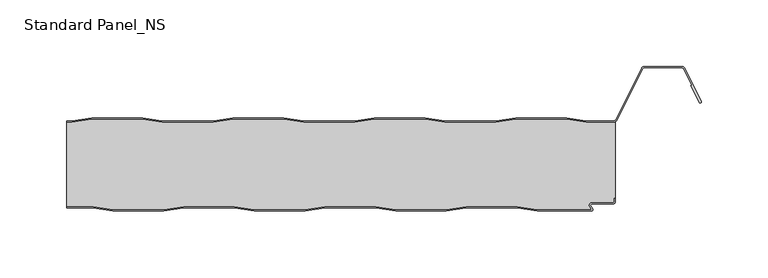
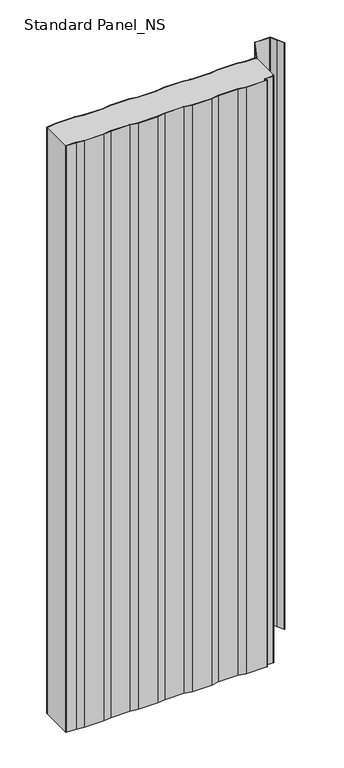
"""IFC4 building model written with IfcOpenShell, lengths in millimetres: proxy geometry, Standard Panel_NS."""

from ifc_helpers import new_model, si_unit, point, frame, frame_2d, origin, origin_with_axes, place, context, project, spatial, polyline, circle_curve, trimmed, segment, composite_curve, outline, extrude, source, transform, mapped, element, save
from ifc_brep_helpers import plane_surface, cylinder_surface, revolved_surface, advanced_brep


def standard_panel_ns_26d060f5(model_context):
    return source(origin(), model_context, "Body", "SolidModel", [
        extrude(outline(composite_curve([segment(polyline([(-203.6028864, 3.3), (-188.6028864, 0.8), (-150.7353064, 0.8), (-135.7353064, 3.3), (-97.6028864, 3.3), (-82.6028864, 0.8), (-44.7353064, 0.8), (-29.7353064, 3.3), (8.3971136, 3.3), (23.3971136, 0.8), (61.2646936, 0.8), (76.2646936, 3.3), (114.3971136, 3.3), (129.3971136, 0.8), (170.5052217, 0.8), (168.869845, 3.3204106)]), True, "CONTINUOUS"), segment(trimmed(circle_curve(frame_2d((170.3798342, 4.3001721)), 1.8), [point((168.869845, 3.3204106))], [point((170.3798342, 6.1001721))], False, "CARTESIAN"), True, "CONTINUOUS"), segment(polyline([(170.3798342, 6.1001721), (185.9659043, 6.1001721)]), True, "CONTINUOUS"), segment(trimmed(circle_curve(frame_2d((185.9659043, 7.4001714)), 1.2999993), [point((185.9659043, 6.1001721))], [point((187.2659036, 7.4001714))], True, "CARTESIAN"), True, "CONTINUOUS"), segment(polyline([(187.2659036, 7.4001714), (187.2659036, 9.4001722), (188.0659036, 9.4001722), (188.0659036, 7.4001714)]), True, "CONTINUOUS"), segment(trimmed(circle_curve(frame_2d((185.9659043, 7.4001714)), 2.0999993), [point((188.0659036, 7.4001714))], [point((185.9659043, 5.3001721))], False, "CARTESIAN"), True, "CONTINUOUS"), segment(polyline([(185.9659043, 5.3001721), (170.3798342, 5.3001721)]), True, "CONTINUOUS"), segment(trimmed(circle_curve(frame_2d((170.3798342, 4.3001721)), 1.0), [point((170.3798342, 5.3001721))], [point((169.5409513, 3.7558601))], True, "CARTESIAN"), True, "CONTINUOUS"), segment(polyline([(169.5409513, 3.7558601), (170.9759217, 1.5443119)]), True, "CONTINUOUS"), segment(trimmed(circle_curve(frame_2d((170.1370388, 1.0)), 1.0), [point((170.9759217, 1.5443119))], [point((170.1370388, 0.0))], False, "CARTESIAN"), True, "CONTINUOUS"), segment(polyline([(170.1370388, 0.0), (129.3309036, 0.0), (114.3309036, 2.5), (76.3309036, 2.5), (61.3309036, 0.0), (23.3309036, 0.0), (8.3309036, 2.5), (-29.6690964, 2.5), (-44.6690964, 0.0), (-82.6690964, 0.0), (-97.6690964, 2.5), (-135.6690964, 2.5), (-150.6690964, 0.0), (-188.6690964, 0.0), (-203.6690964, 2.5), (-223.4042607, 2.5), (-223.4042607, 3.3), (-203.6028864, 3.3)]), True, "CONTINUOUS")], self_intersect=False)), origin_with_axes(), (0.0, 0.0, 1.0), 1219.2),
        extrude(outline(composite_curve([segment(polyline([(-219.5261524, 67.5), (-204.6867594, 70.0), (-166.4777146, 70.0), (-151.6383215, 67.5), (-113.5261524, 67.5), (-98.6867594, 70.0), (-60.4777146, 70.0), (-45.6383215, 67.5), (-7.5261524, 67.5), (7.3132406, 70.0), (45.5222854, 70.0), (60.3616785, 67.5), (98.4738476, 67.5), (113.3132406, 70.0), (151.5222854, 70.0), (166.3616785, 67.5), (186.5082999, 67.5)]), True, "CONTINUOUS"), segment(trimmed(circle_curve(frame_2d((186.5082999, 69.8)), 2.3), [point((186.5082999, 67.5))], [point((188.5664438, 68.7733338))], True, "CARTESIAN"), True, "CONTINUOUS"), segment(polyline([(188.5664438, 68.7733338), (207.7687355, 107.2679093)]), True, "CONTINUOUS"), segment(trimmed(circle_curve(frame_2d((209.8268795, 106.241243)), 2.3), [point((207.7687355, 107.2679093))], [point((209.8268795, 108.541243))], False, "CARTESIAN"), True, "CONTINUOUS"), segment(polyline([(209.8268795, 108.541243), (237.9816419, 108.541243)]), True, "CONTINUOUS"), segment(trimmed(circle_curve(frame_2d((237.9816419, 106.241243)), 2.3), [point((237.9816419, 108.541243))], [point((240.039338, 107.2688066))], False, "CARTESIAN"), True, "CONTINUOUS"), segment(polyline([(240.039338, 107.2688066), (252.4495038, 82.4174495)]), True, "CONTINUOUS"), segment(trimmed(circle_curve(frame_2d((251.7337834, 82.0600361)), 0.8), [point((252.4495038, 82.4174495))], [point((251.018063, 81.7026227))], False, "CARTESIAN"), True, "CONTINUOUS"), segment(polyline([(251.018063, 81.7026227), (244.6739749, 94.4066593), (245.3896952, 94.7640727), (239.3236176, 106.9113932)]), True, "CONTINUOUS"), segment(trimmed(circle_curve(frame_2d((237.9816419, 106.241243)), 1.5), [point((239.3236176, 106.9113932))], [point((237.9816419, 107.741243))], True, "CARTESIAN"), True, "CONTINUOUS"), segment(polyline([(237.9816419, 107.741243), (209.8268795, 107.741243)]), True, "CONTINUOUS"), segment(trimmed(circle_curve(frame_2d((209.8268795, 106.241243)), 1.5), [point((209.8268795, 107.741243))], [point((208.4846117, 106.910808))], True, "CARTESIAN"), True, "CONTINUOUS"), segment(polyline([(208.4846117, 106.910808), (189.28232, 68.4162325)]), True, "CONTINUOUS"), segment(trimmed(circle_curve(frame_2d((186.5082999, 69.8)), 3.1), [point((189.28232, 68.4162325))], [point((186.5082999, 66.7))], False, "CARTESIAN"), True, "CONTINUOUS"), segment(polyline([(186.5082999, 66.7), (166.2947617, 66.7), (151.4553687, 69.2), (113.3801573, 69.2), (98.5407643, 66.7), (60.2947617, 66.7), (45.4553687, 69.2), (7.3801573, 69.2), (-7.4592357, 66.7), (-45.7052383, 66.7), (-60.5446313, 69.2), (-98.6198427, 69.2), (-113.4592357, 66.7), (-151.7052383, 66.7), (-166.5446313, 69.2), (-204.6198427, 69.2), (-219.4592357, 66.7), (-223.4042607, 66.7), (-223.4042607, 67.5), (-219.5261524, 67.5)]), True, "CONTINUOUS")], self_intersect=False)), origin_with_axes(), (0.0, 0.0, 1.0), 1219.2),
        advanced_brep(
        [(188.136916, 67.1622719, 1219.2), (186.5082999, 66.7, 1219.2), (166.2947617, 66.7, 1219.2), (151.4553687, 69.2, 1219.2), (113.3801573, 69.2, 1219.2), (98.5407643, 66.7, 1219.2), (60.2947617, 66.7, 1219.2), (45.4553687, 69.2, 1219.2), (7.3801573, 69.2, 1219.2), (-7.4592357, 66.7, 1219.2), (-45.7052383, 66.7, 1219.2), (-60.5446313, 69.2, 1219.2), (-98.6198427, 69.2, 1219.2), (-113.4592357, 66.7, 1219.2), (-151.7052383, 66.7, 1219.2), (-166.5446313, 69.2, 1219.2), (-204.6198427, 69.2, 1219.2), (-219.4592357, 66.7, 1219.2), (-223.4042607, 66.7, 1219.2), (-223.4042607, 3.3, 1219.2), (-203.6028864, 3.3, 1219.2), (-188.6028864, 0.8, 1219.2), (-150.7353064, 0.8, 1219.2), (-135.7353064, 3.3, 1219.2), (-97.6028864, 3.3, 1219.2), (-82.6028864, 0.8, 1219.2), (-44.7353064, 0.8, 1219.2), (-29.7353064, 3.3, 1219.2), (8.3971136, 3.3, 1219.2), (23.3971136, 0.8, 1219.2), (61.2646936, 0.8, 1219.2), (76.2646936, 3.3, 1219.2), (114.3971136, 3.3, 1219.2), (129.3971136, 0.8, 1219.2), (170.5052217, 0.8, 1219.2), (168.869845, 3.3204106, 1219.2), (170.3798342, 6.1001721, 1219.2), (185.9659043, 6.1001721, 1219.2), (187.2659036, 7.4001714, 1219.2), (187.2659036, 9.4001722, 1219.2), (188.1042607, 9.4, 1219.2), (-219.4592357, 66.7, 0.0), (-204.6198427, 69.2, 0.0), (-166.5446313, 69.2, 0.0), (-151.7052383, 66.7, 0.0), (-113.4592357, 66.7, 0.0), (-98.6198427, 69.2, 0.0), (-60.5446313, 69.2, 0.0), (-45.7052383, 66.7, 0.0), (-7.4592357, 66.7, 0.0), (7.3801573, 69.2, 0.0), (45.4553687, 69.2, 0.0), (60.2947617, 66.7, 0.0), (98.5407643, 66.7, 0.0), (113.3801573, 69.2, 0.0), (151.4553687, 69.2, 0.0), (166.2947617, 66.7, 0.0), (186.5082999, 66.7, 0.0), (188.136916, 67.1622719, 0.0), (188.1042607, 9.4, 0.0), (187.2659036, 9.4, 0.0), (187.2659036, 7.4001714, 0.0), (185.9659043, 6.1001721, 0.0), (170.3798342, 6.1001721, 0.0), (168.869845, 3.3204106, 0.0), (170.5052217, 0.8, 0.0), (129.3971136, 0.8, 0.0), (114.3971136, 3.3, 0.0), (76.2646936, 3.3, 0.0), (61.2646936, 0.8, 0.0), (23.3971136, 0.8, 0.0), (8.3971136, 3.3, 0.0), (-29.7353064, 3.3, 0.0), (-44.7353064, 0.8, 0.0), (-82.6028864, 0.8, 0.0), (-97.6028864, 3.3, 0.0), (-135.7353064, 3.3, 0.0), (-150.7353064, 0.8, 0.0), (-188.6028864, 0.8, 0.0), (-203.6028864, 3.3, 0.0), (-223.4042607, 3.3, 0.0), (-223.4042607, 66.7, 0.0)],
        [
            (0, 1, circle_curve(frame((186.5082999, 69.8, 1219.2), z_axis=(0.0, 0.0, -1.0), x_axis=(-1.0, 0.0, 0.0)), 3.1)),
            (1, 2),
            (2, 3),
            (3, 4),
            (4, 5),
            (5, 6),
            (6, 7),
            (7, 8),
            (8, 9),
            (9, 10),
            (10, 11),
            (11, 12),
            (12, 13),
            (13, 14),
            (14, 15),
            (15, 16),
            (16, 17),
            (17, 18),
            (18, 19),
            (19, 20),
            (20, 21),
            (21, 22),
            (22, 23),
            (23, 24),
            (24, 25),
            (25, 26),
            (26, 27),
            (27, 28),
            (28, 29),
            (29, 30),
            (30, 31),
            (31, 32),
            (32, 33),
            (33, 34),
            (34, 35),
            (35, 36, circle_curve(frame((170.3798342, 4.3001721, 1219.2), z_axis=(0.0, 0.0, -1.0), x_axis=(-1.0, 0.0, 0.0)), 1.8)),
            (36, 37),
            (37, 38, circle_curve(frame((185.9659043, 7.4001714, 1219.2), z_axis=(0.0, 0.0, 1.0), x_axis=(-1.0, 0.0, 0.0)), 1.2999993)),
            (38, 39),
            (39, 40),
            (40, 0),
            (41, 42),
            (42, 43),
            (43, 44),
            (44, 45),
            (45, 46),
            (46, 47),
            (47, 48),
            (48, 49),
            (49, 50),
            (50, 51),
            (51, 52),
            (52, 53),
            (53, 54),
            (54, 55),
            (55, 56),
            (56, 57),
            (57, 58, circle_curve(frame((186.5082999, 69.8, 0.0), z_axis=(0.0, 0.0, 1.0), x_axis=(-1.0, 0.0, 0.0)), 3.1)),
            (58, 59),
            (59, 60),
            (60, 61),
            (61, 62, circle_curve(frame((185.9659043, 7.4001714, 0.0), z_axis=(0.0, 0.0, -1.0), x_axis=(-1.0, 0.0, 0.0)), 1.2999993)),
            (62, 63),
            (63, 64, circle_curve(frame((170.3798342, 4.3001721, 0.0), z_axis=(0.0, 0.0, 1.0), x_axis=(-1.0, 0.0, 0.0)), 1.8)),
            (64, 65),
            (65, 66),
            (66, 67),
            (67, 68),
            (68, 69),
            (69, 70),
            (70, 71),
            (71, 72),
            (72, 73),
            (73, 74),
            (74, 75),
            (75, 76),
            (76, 77),
            (77, 78),
            (78, 79),
            (79, 80),
            (80, 81),
            (81, 41),
            (58, 0),
            (40, 59),
            (57, 1),
            (56, 2),
            (55, 3),
            (54, 4),
            (53, 5),
            (52, 6),
            (51, 7),
            (50, 8),
            (49, 9),
            (48, 10),
            (47, 11),
            (46, 12),
            (45, 13),
            (44, 14),
            (43, 15),
            (42, 16),
            (41, 17),
            (81, 18),
            (39, 60),
            (79, 20),
            (19, 80),
            (78, 21),
            (77, 22),
            (76, 23),
            (75, 24),
            (74, 25),
            (73, 26),
            (72, 27),
            (71, 28),
            (70, 29),
            (69, 30),
            (68, 31),
            (67, 32),
            (66, 33),
            (65, 34),
            (64, 35),
            (63, 36),
            (62, 37),
            (61, 38),
        ],
        [
            plane_surface(frame((-276.0957393, 69.2, 1219.2), z_axis=(0.0, 0.0, 1.0), x_axis=(0.0, 1.0, 0.0))),
            plane_surface(frame((-276.0957393, 69.2, 0.0), z_axis=(0.0, 0.0, -1.0), x_axis=(0.0, 1.0, 0.0))),
            plane_surface(frame((188.136916, 64.25, 1219.2), z_axis=(1.0, 0.0, 0.0), x_axis=(0.0, 0.0, -1.0))),
            revolved_surface(polyline([(183.4082999, 69.8, 0.0), (183.4082999, 69.8, 1219.2)]), (186.5082999, 69.8, 1219.2), (0.0, 0.0, -1.0)),
            plane_surface(frame((186.5082999, 66.7, 1219.2), z_axis=(0.0, 1.0, 0.0), x_axis=(0.0, 0.0, -1.0))),
            plane_surface(frame((166.2947617, 66.7, 1219.2), z_axis=(0.16612942863435848, 0.9861039564577467, 0.0), x_axis=(0.0, 0.0, -1.0))),
            plane_surface(frame((151.4553687, 69.2, 1219.2), z_axis=(0.0, 1.0, 0.0), x_axis=(0.0, 0.0, -1.0))),
            plane_surface(frame((113.3801573, 69.2, 1219.2), z_axis=(-0.16612942863454067, 0.9861039564577161, 0.0), x_axis=(0.0, 0.0, -1.0))),
            plane_surface(frame((98.5407643, 66.7, 1219.2), z_axis=(0.0, 1.0, 0.0), x_axis=(0.0, 0.0, -1.0))),
            plane_surface(frame((60.2947617, 66.7, 1219.2), z_axis=(0.1661294286345235, 0.986103956457719, 0.0), x_axis=(0.0, 0.0, -1.0))),
            plane_surface(frame((45.4553687, 69.2, 1219.2), z_axis=(0.0, 1.0, 0.0), x_axis=(0.0, 0.0, -1.0))),
            plane_surface(frame((7.3801573, 69.2, 1219.2), z_axis=(-0.16612942863454067, 0.9861039564577161, 0.0), x_axis=(0.0, 0.0, -1.0))),
            plane_surface(frame((-7.4592357, 66.7, 1219.2), z_axis=(0.0, 1.0, 0.0), x_axis=(0.0, 0.0, -1.0))),
            plane_surface(frame((-45.7052383, 66.7, 1219.2), z_axis=(0.16612942863435848, 0.9861039564577467, 0.0), x_axis=(0.0, 0.0, -1.0))),
            plane_surface(frame((-60.5446313, 69.2, 1219.2), z_axis=(0.0, 1.0, 0.0), x_axis=(0.0, 0.0, -1.0))),
            plane_surface(frame((-98.6198427, 69.2, 1219.2), z_axis=(-0.16612942863472926, 0.9861039564576843, 0.0), x_axis=(0.0, 0.0, -1.0))),
            plane_surface(frame((-113.4592357, 66.7, 1219.2), z_axis=(0.0, 1.0, 0.0), x_axis=(0.0, 0.0, -1.0))),
            plane_surface(frame((-151.7052383, 66.7, 1219.2), z_axis=(0.1661294286345235, 0.986103956457719, 0.0), x_axis=(0.0, 0.0, -1.0))),
            plane_surface(frame((-166.5446313, 69.2, 1219.2), z_axis=(0.0, 1.0, 0.0), x_axis=(0.0, 0.0, -1.0))),
            plane_surface(frame((-204.6198427, 69.2, 1219.2), z_axis=(-0.16612942863435204, 0.9861039564577478, 0.0), x_axis=(0.0, 0.0, -1.0))),
            plane_surface(frame((-219.4592357, 66.7, 1219.2), z_axis=(0.0, 1.0, 0.0), x_axis=(0.0, 0.0, -1.0))),
            plane_surface(frame((-811.8956486, 9.4, 1219.2), z_axis=(0.0, -1.0, 0.0), x_axis=(0.0, 0.0, -1.0))),
            plane_surface(frame((-241.7353064, 3.3, 1219.2), z_axis=(0.0, -1.0, 0.0), x_axis=(0.0, 0.0, -1.0))),
            plane_surface(frame((-203.6028864, 3.3, 1219.2), z_axis=(-0.1643989873053467, -0.9863939238321456, 0.0), x_axis=(0.0, 0.0, -1.0))),
            plane_surface(frame((-188.6028864, 0.8, 1219.2), z_axis=(0.0, -1.0, 0.0), x_axis=(0.0, 0.0, -1.0))),
            plane_surface(frame((-150.7353064, 0.8, 1219.2), z_axis=(0.1643989873053679, -0.9863939238321421, 0.0), x_axis=(0.0, 0.0, -1.0))),
            plane_surface(frame((-135.7353064, 3.3, 1219.2), z_axis=(0.0, -1.0, 0.0), x_axis=(0.0, 0.0, -1.0))),
            plane_surface(frame((-97.6028864, 3.3, 1219.2), z_axis=(-0.1643989873053467, -0.9863939238321456, 0.0), x_axis=(0.0, 0.0, -1.0))),
            plane_surface(frame((-82.6028864, 0.8, 1219.2), z_axis=(0.0, -1.0, 0.0), x_axis=(0.0, 0.0, -1.0))),
            plane_surface(frame((-44.7353064, 0.8, 1219.2), z_axis=(0.16439898730518315, -0.9863939238321728, 0.0), x_axis=(0.0, 0.0, -1.0))),
            plane_surface(frame((-29.7353064, 3.3, 1219.2), z_axis=(0.0, -1.0, 0.0), x_axis=(0.0, 0.0, -1.0))),
            plane_surface(frame((8.3971136, 3.3, 1219.2), z_axis=(-0.1643989873053467, -0.9863939238321456, 0.0), x_axis=(0.0, 0.0, -1.0))),
            plane_surface(frame((23.3971136, 0.8, 1219.2), z_axis=(0.0, -1.0, 0.0), x_axis=(0.0, 0.0, -1.0))),
            plane_surface(frame((61.2646936, 0.8, 1219.2), z_axis=(0.1643989873053679, -0.9863939238321421, 0.0), x_axis=(0.0, 0.0, -1.0))),
            plane_surface(frame((76.2646936, 3.3, 1219.2), z_axis=(0.0, -1.0, 0.0), x_axis=(0.0, 0.0, -1.0))),
            plane_surface(frame((114.3971136, 3.3, 1219.2), z_axis=(-0.16439898730516195, -0.9863939238321764, 0.0), x_axis=(0.0, 0.0, -1.0))),
            plane_surface(frame((129.3971136, 0.8, 1219.2), z_axis=(0.0, -1.0, 0.0), x_axis=(0.0, 0.0, -1.0))),
            plane_surface(frame((170.5052217, 0.8, 1219.2), z_axis=(0.8388828900539764, 0.5443119480359477, 0.0), x_axis=(0.0, 0.0, -1.0))),
            revolved_surface(polyline([(168.5798342, 4.3001721, 0.0), (168.5798342, 4.3001721, 1219.2)]), (170.3798342, 4.3001721, 1219.2), (0.0, 0.0, -1.0)),
            plane_surface(frame((170.3798342, 6.1001721, 1219.2), z_axis=(0.0, -1.0, 0.0), x_axis=(0.0, 0.0, -1.0))),
            cylinder_surface(frame((185.9659043, 7.4001714, 1219.2), z_axis=(0.0, 0.0, 1.0), x_axis=(-1.0, 0.0, 0.0)), 1.2999993),
            plane_surface(frame((187.2659036, 7.4001714, 1219.2), z_axis=(1.0, 0.0, 0.0), x_axis=(0.0, 0.0, -1.0))),
            plane_surface(frame((-223.4042607, -30.0, 1219.2), z_axis=(-1.0, 0.0, 0.0), x_axis=(0.0, 0.0, -1.0))),
        ],
        [
            (0, [[1, 2, 3, 4, 5, 6, 7, 8, 9, 10, 11, 12, 13, 14, 15, 16, 17, 18, 19, 20, 21, 22, 23, 24, 25, 26, 27, 28, 29, 30, 31, 32, 33, 34, 35, 36, 37, 38, 39, 40, 41]]),
            (1, [[42, 43, 44, 45, 46, 47, 48, 49, 50, 51, 52, 53, 54, 55, 56, 57, 58, 59, 60, 61, 62, 63, 64, 65, 66, 67, 68, 69, 70, 71, 72, 73, 74, 75, 76, 77, 78, 79, 80, 81, 82]]),
            (2, [[83, -41, 84, -59]]),
            (3, [[-1, -83, -58, 85]]),
            (4, [[-2, -85, -57, 86]]),
            (5, [[-3, -86, -56, 87]]),
            (6, [[-4, -87, -55, 88]]),
            (7, [[-5, -88, -54, 89]]),
            (8, [[-6, -89, -53, 90]]),
            (9, [[-7, -90, -52, 91]]),
            (10, [[-8, -91, -51, 92]]),
            (11, [[-9, -92, -50, 93]]),
            (12, [[-10, -93, -49, 94]]),
            (13, [[-11, -94, -48, 95]]),
            (14, [[-12, -95, -47, 96]]),
            (15, [[-13, -96, -46, 97]]),
            (16, [[-14, -97, -45, 98]]),
            (17, [[-15, -98, -44, 99]]),
            (18, [[-16, -99, -43, 100]]),
            (19, [[-17, -100, -42, 101]]),
            (20, [[-101, -82, 102, -18]]),
            (21, [[-84, -40, 103, -60]]),
            (22, [[104, -20, 105, -80]]),
            (23, [[-21, -104, -79, 106]]),
            (24, [[-22, -106, -78, 107]]),
            (25, [[-23, -107, -77, 108]]),
            (26, [[-24, -108, -76, 109]]),
            (27, [[-25, -109, -75, 110]]),
            (28, [[-26, -110, -74, 111]]),
            (29, [[-27, -111, -73, 112]]),
            (30, [[-28, -112, -72, 113]]),
            (31, [[-29, -113, -71, 114]]),
            (32, [[-30, -114, -70, 115]]),
            (33, [[-31, -115, -69, 116]]),
            (34, [[-32, -116, -68, 117]]),
            (35, [[-33, -117, -67, 118]]),
            (36, [[-34, -118, -66, 119]]),
            (37, [[-35, -119, -65, 120]]),
            (38, [[-36, -120, -64, 121]]),
            (39, [[-37, -121, -63, 122]]),
            (40, [[-38, -122, -62, 123]]),
            (41, [[-39, -123, -61, -103]]),
            (42, [[-19, -102, -81, -105]]),
        ],
    ),
    ])


if __name__ == "__main__":
    model = new_model("IFC4")
    model_context = context("Model", 3, world=origin())
    ifc_project = project(units=[si_unit("LENGTHUNIT", "METRE", prefix="MILLI")], contexts=[model_context])
    site = spatial("IfcSite", under=ifc_project)
    building = spatial("IfcBuilding", under=site)
    placement = place(None, origin())
    standard_panel_ns_shape = standard_panel_ns_26d060f5(model_context)
    element("IfcBuildingElementProxy", 1, Name="Standard Panel_NS", ObjectType="Standard Panel_NS", at=placement, inside=building, context=model_context, shape_type="MappedRepresentation", body=[
        mapped(standard_panel_ns_shape, transform((0.0, 0.0, 0.0), x_axis=(1.0, 0.0, 0.0), y_axis=(0.0, 1.0, 0.0), z_axis=(0.0, 0.0, 1.0))),
    ])
    save(model, "model.ifc")
